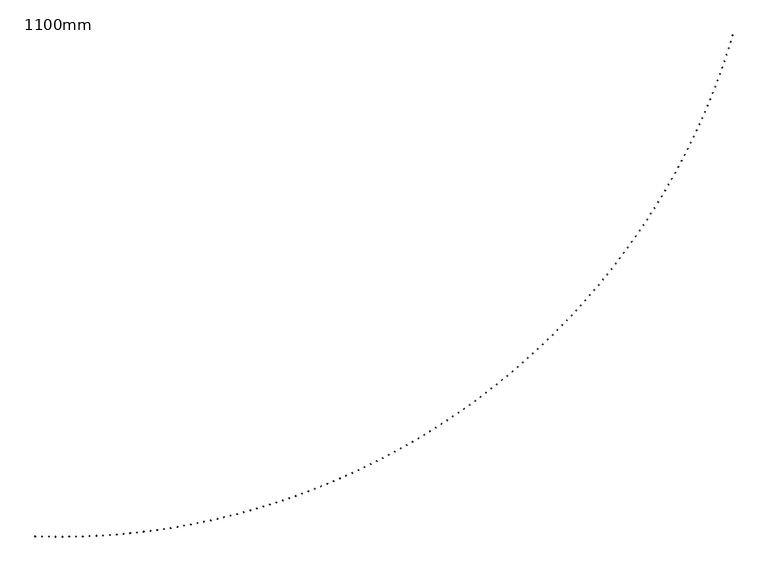
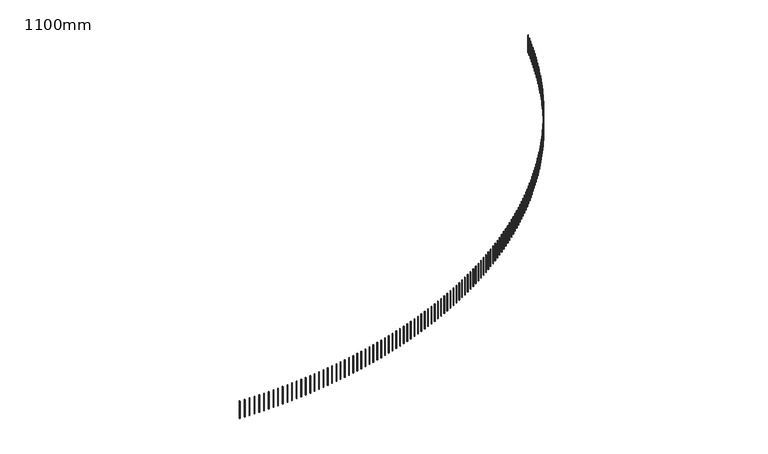
"""IFC4 building model written with IfcOpenShell, lengths in millimetres: railing geometry, 1100mm."""

from ifc_helpers import new_model, si_unit, frame, origin, place, context, project, spatial, polyline, outline, extrude, source, transform, mapped, element, save


def railing_1100mm_44c998ff(model_context):
    return source(origin(), model_context, "Body", "SweptSolid", [
        extrude(outline(polyline([(-10110.9562878, -82539.3710236), (-10111.8247156, -82564.3559358), (-10136.8096277, -82563.487508), (-10135.9411999, -82538.5025959), (-10110.9562878, -82539.3710236)])), frame((0.0, 0.0, 22600.0), z_axis=(0.0, 0.0, 1.0), x_axis=(1.0, 0.0, 0.0)), (0.0, 0.0, 1.0), 1050.0),
        extrude(outline(polyline([(-9836.1976261, -82547.4690723), (-9836.8242033, -82572.4612191), (-9861.8163501, -82571.8346419), (-9861.1897729, -82546.8424951), (-9836.1976261, -82547.4690723)])), frame((0.0, 0.0, 22600.0), z_axis=(0.0, 0.0, 1.0), x_axis=(1.0, 0.0, 0.0)), (0.0, 0.0, 1.0), 1050.0),
        extrude(outline(polyline([(-9561.373458, -82552.9075616), (-9561.7581259, -82577.9046021), (-9586.7551663, -82577.5199342), (-9586.3704985, -82552.5228938), (-9561.373458, -82552.9075616)])), frame((0.0, 0.0, 22600.0), z_axis=(0.0, 0.0, 1.0), x_axis=(1.0, 0.0, 0.0)), (0.0, 0.0, 1.0), 1050.0),
        extrude(outline(polyline([(-9286.5095264, -82555.6859823), (-9286.6522489, -82580.6855749), (-9311.6518415, -82580.5428524), (-9311.509119, -82555.5432598), (-9286.5095264, -82555.6859823)])), frame((0.0, 0.0, 22600.0), z_axis=(0.0, 0.0, 1.0), x_axis=(1.0, 0.0, 0.0)), (0.0, 0.0, 1.0), 1050.0),
        extrude(outline(polyline([(-9011.6315779, -82555.8040741), (-9011.5323416, -82580.8038771), (-9036.5321447, -82580.9031133), (-9036.6313809, -82555.9033103), (-9011.6315779, -82555.8040741)])), frame((0.0, 0.0, 22600.0), z_axis=(0.0, 0.0, 1.0), x_axis=(1.0, 0.0, 0.0)), (0.0, 0.0, 1.0), 1050.0),
        extrude(outline(polyline([(-8736.7653604, -82553.2618258), (-8736.4241747, -82578.2594975), (-8761.4218465, -82578.6006832), (-8761.7630321, -82553.6030114), (-8736.7653604, -82553.2618258)])), frame((0.0, 0.0, 22600.0), z_axis=(0.0, 0.0, 1.0), x_axis=(1.0, 0.0, 0.0)), (0.0, 0.0, 1.0), 1050.0),
        extrude(outline(polyline([(-8461.9366208, -82548.0594757), (-8461.3535177, -82573.0526745), (-8486.3467166, -82573.6357777), (-8486.9298197, -82548.6425788), (-8461.9366208, -82548.0594757)])), frame((0.0, 0.0, 22600.0), z_axis=(0.0, 0.0, 1.0), x_axis=(1.0, 0.0, 0.0)), (0.0, 0.0, 1.0), 1050.0),
        extrude(outline(polyline([(-8187.1711025, -82540.197511), (-8186.3461366, -82565.1838959), (-8211.3325215, -82566.0088618), (-8212.1574874, -82541.0224769), (-8187.1711025, -82540.197511)])), frame((0.0, 0.0, 22600.0), z_axis=(0.0, 0.0, 1.0), x_axis=(1.0, 0.0, 0.0)), (0.0, 0.0, 1.0), 1050.0),
        extrude(outline(polyline([(-7912.4945429, -82529.6766681), (-7911.4277914, -82554.6538986), (-7936.4050218, -82555.7206501), (-7937.4717734, -82530.7434196), (-7912.4945429, -82529.6766681)])), frame((0.0, 0.0, 22600.0), z_axis=(0.0, 0.0, 1.0), x_axis=(1.0, 0.0, 0.0)), (0.0, 0.0, 1.0), 1050.0),
        extrude(outline(polyline([(-7637.9326711, -82516.4979327), (-7636.6242339, -82541.463669), (-7661.5899703, -82542.7721062), (-7662.8984074, -82517.8063698), (-7637.9326711, -82516.4979327)])), frame((0.0, 0.0, 22600.0), z_axis=(0.0, 0.0, 1.0), x_axis=(1.0, 0.0, 0.0)), (0.0, 0.0, 1.0), 1050.0),
        extrude(outline(polyline([(-7363.5112053, -82500.662539), (-7361.9612051, -82525.6144427), (-7386.9131088, -82527.164443), (-7388.4631091, -82502.2125392), (-7363.5112053, -82500.662539)])), frame((0.0, 0.0, 22600.0), z_axis=(0.0, 0.0, 1.0), x_axis=(1.0, 0.0, 0.0)), (0.0, 0.0, 1.0), 1050.0),
        extrude(outline(polyline([(-7089.255851, -82482.1719705), (-7087.4644328, -82507.1077043), (-7112.4001666, -82508.8991224), (-7114.1915848, -82483.9633886), (-7089.255851, -82482.1719705)])), frame((0.0, 0.0, 22600.0), z_axis=(0.0, 0.0, 1.0), x_axis=(1.0, 0.0, 0.0)), (0.0, 0.0, 1.0), 1050.0),
        extrude(outline(polyline([(-6815.1922975, -82461.0279591), (-6813.1596293, -82485.9451873), (-6838.0768575, -82487.9778555), (-6840.1095257, -82463.0606273), (-6815.1922975, -82461.0279591)])), frame((0.0, 0.0, 22600.0), z_axis=(0.0, 0.0, 1.0), x_axis=(1.0, 0.0, 0.0)), (0.0, 0.0, 1.0), 1050.0),
        extrude(outline(polyline([(-6541.3462167, -82437.2324855), (-6539.0724888, -82462.128874), (-6563.9688773, -82464.4026019), (-6566.2426052, -82439.5062134), (-6541.3462167, -82437.2324855)])), frame((0.0, 0.0, 22600.0), z_axis=(0.0, 0.0, 1.0), x_axis=(1.0, 0.0, 0.0)), (0.0, 0.0, 1.0), 1050.0),
        extrude(outline(polyline([(-6267.7432598, -82410.7877785), (-6265.2286852, -82435.6609953), (-6290.101902, -82438.1755699), (-6292.6164767, -82413.3023531), (-6267.7432598, -82410.7877785)])), frame((0.0, 0.0, 22600.0), z_axis=(0.0, 0.0, 1.0), x_axis=(1.0, 0.0, 0.0)), (0.0, 0.0, 1.0), 1050.0),
        extrude(outline(polyline([(-5994.4090554, -82381.6963152), (-5991.6538696, -82406.5440305), (-6016.5015849, -82409.2992162), (-6019.2567706, -82384.451501), (-5994.4090554, -82381.6963152)])), frame((0.0, 0.0, 22600.0), z_axis=(0.0, 0.0, 1.0), x_axis=(1.0, 0.0, 0.0)), (0.0, 0.0, 1.0), 1050.0),
        extrude(outline(polyline([(-5721.3692068, -82349.9608208), (-5718.3736679, -82374.7807069), (-5743.1935541, -82377.7762457), (-5746.1890929, -82352.9563596), (-5721.3692068, -82349.9608208)])), frame((0.0, 0.0, 22600.0), z_axis=(0.0, 0.0, 1.0), x_axis=(1.0, 0.0, 0.0)), (0.0, 0.0, 1.0), 1050.0),
        extrude(outline(polyline([(-5448.6492898, -82315.5842677), (-5445.4136784, -82340.3739998), (-5470.2034106, -82343.6096112), (-5473.4390219, -82318.8198791), (-5448.6492898, -82315.5842677)])), frame((0.0, 0.0, 22600.0), z_axis=(0.0, 0.0, 1.0), x_axis=(1.0, 0.0, 0.0)), (0.0, 0.0, 1.0), 1050.0),
        extrude(outline(polyline([(-5176.2748502, -82278.5698762), (-5172.7994694, -82303.3271322), (-5197.5567255, -82306.802513), (-5201.0321063, -82282.0452569), (-5176.2748502, -82278.5698762)])), frame((0.0, 0.0, 22600.0), z_axis=(0.0, 0.0, 1.0), x_axis=(1.0, 0.0, 0.0)), (0.0, 0.0, 1.0), 1050.0),
        extrude(outline(polyline([(-4904.2714014, -82238.9211133), (-4900.5565768, -82263.6435743), (-4925.2790378, -82267.3583989), (-4928.9938624, -82242.6359379), (-4904.2714014, -82238.9211133)])), frame((0.0, 0.0, 22600.0), z_axis=(0.0, 0.0, 1.0), x_axis=(1.0, 0.0, 0.0)), (0.0, 0.0, 1.0), 1050.0),
        extrude(outline(polyline([(-4632.6644222, -82196.641693), (-4628.7105017, -82221.3270431), (-4653.3958518, -82225.2809637), (-4657.3497724, -82200.5956135), (-4632.6644222, -82196.641693)])), frame((0.0, 0.0, 22600.0), z_axis=(0.0, 0.0, 1.0), x_axis=(1.0, 0.0, 0.0)), (0.0, 0.0, 1.0), 1050.0),
        extrude(outline(polyline([(-4361.4793541, -82151.7355756), (-4357.286708, -82176.3815026), (-4381.9326351, -82180.5741487), (-4386.1252811, -82155.9282217), (-4361.4793541, -82151.7355756)])), frame((0.0, 0.0, 22600.0), z_axis=(0.0, 0.0, 1.0), x_axis=(1.0, 0.0, 0.0)), (0.0, 0.0, 1.0), 1050.0),
        extrude(outline(polyline([(-4090.7415992, -82104.2069675), (-4086.3106203, -82128.8111628), (-4110.9148156, -82133.2421417), (-4115.3457945, -82108.6379464), (-4090.7415992, -82104.2069675)])), frame((0.0, 0.0, 22600.0), z_axis=(0.0, 0.0, 1.0), x_axis=(1.0, 0.0, 0.0)), (0.0, 0.0, 1.0), 1050.0),
        extrude(outline(polyline([(-3820.4765175, -82054.0603207), (-3815.8076209, -82078.6204796), (-3840.3677798, -82083.2893763), (-3845.0366764, -82058.7292174), (-3820.4765175, -82054.0603207)])), frame((0.0, 0.0, 22600.0), z_axis=(0.0, 0.0, 1.0), x_axis=(1.0, 0.0, 0.0)), (0.0, 0.0, 1.0), 1050.0),
        extrude(outline(polyline([(-3550.709425, -82001.3003326), (-3545.803048, -82025.8141545), (-3570.3168699, -82030.7205315), (-3575.2232469, -82006.2067096), (-3550.709425, -82001.3003326)])), frame((0.0, 0.0, 22600.0), z_axis=(0.0, 0.0, 1.0), x_axis=(1.0, 0.0, 0.0)), (0.0, 0.0, 1.0), 1050.0),
        extrude(outline(polyline([(-3281.465591, -81945.931945), (-3276.3221931, -81970.3971337), (-3300.7873818, -81975.5405316), (-3305.9307796, -81951.0753429), (-3281.465591, -81945.931945)])), frame((0.0, 0.0, 22600.0), z_axis=(0.0, 0.0, 1.0), x_axis=(1.0, 0.0, 0.0)), (0.0, 0.0, 1.0), 1050.0),
        extrude(outline(polyline([(-3012.7702354, -81887.9603445), (-3007.3902985, -81912.3746083), (-3031.8045623, -81917.7545453), (-3037.1844993, -81893.3402814), (-3012.7702354, -81887.9603445)])), frame((0.0, 0.0, 22600.0), z_axis=(0.0, 0.0, 1.0), x_axis=(1.0, 0.0, 0.0)), (0.0, 0.0, 1.0), 1050.0),
        extrude(outline(polyline([(-2744.6485274, -81827.3909612), (-2739.0325553, -81851.7520133), (-2763.3936074, -81857.3679854), (-2769.0095794, -81833.0069333), (-2744.6485274, -81827.3909612)])), frame((0.0, 0.0, 22600.0), z_axis=(0.0, 0.0, 1.0), x_axis=(1.0, 0.0, 0.0)), (0.0, 0.0, 1.0), 1050.0),
        extrude(outline(polyline([(-2477.1255818, -81764.2294688), (-2471.2741007, -81788.5350272), (-2495.5796591, -81794.3865083), (-2501.4311402, -81770.0809499), (-2477.1255818, -81764.2294688)])), frame((0.0, 0.0, 22600.0), z_axis=(0.0, 0.0, 1.0), x_axis=(1.0, 0.0, 0.0)), (0.0, 0.0, 1.0), 1050.0),
        extrude(outline(polyline([(-2210.2264577, -81698.4817835), (-2204.1400157, -81722.7295715), (-2228.3878037, -81728.8160136), (-2234.4742457, -81704.5682256), (-2210.2264577, -81698.4817835)])), frame((0.0, 0.0, 22600.0), z_axis=(0.0, 0.0, 1.0), x_axis=(1.0, 0.0, 0.0)), (0.0, 0.0, 1.0), 1050.0),
        extrude(outline(polyline([(-1943.9761558, -81630.1540641), (-1937.6553229, -81654.3418104), (-1961.8430692, -81660.6626433), (-1968.1639021, -81636.474897), (-1943.9761558, -81630.1540641)])), frame((0.0, 0.0, 22600.0), z_axis=(0.0, 0.0, 1.0), x_axis=(1.0, 0.0, 0.0)), (0.0, 0.0, 1.0), 1050.0),
        extrude(outline(polyline([(-1678.3996157, -81559.2527107), (-1671.8449841, -81583.3781497), (-1695.970423, -81589.9327813), (-1702.5250546, -81565.8073424), (-1678.3996157, -81559.2527107)])), frame((0.0, 0.0, 22600.0), z_axis=(0.0, 0.0, 1.0), x_axis=(1.0, 0.0, 0.0)), (0.0, 0.0, 1.0), 1050.0),
        extrude(outline(polyline([(-1413.5217142, -81485.7843648), (-1406.7338978, -81509.8452366), (-1430.7947695, -81516.633053), (-1437.582586, -81492.5721812), (-1413.5217142, -81485.7843648)])), frame((0.0, 0.0, 22600.0), z_axis=(0.0, 0.0, 1.0), x_axis=(1.0, 0.0, 0.0)), (0.0, 0.0, 1.0), 1050.0),
        extrude(outline(polyline([(-1149.3672626, -81409.7559082), (-1142.3468972, -81433.7499589), (-1166.3409479, -81440.7703243), (-1173.3613133, -81416.7762736), (-1149.3672626, -81409.7559082)])), frame((0.0, 0.0, 22600.0), z_axis=(0.0, 0.0, 1.0), x_axis=(1.0, 0.0, 0.0)), (0.0, 0.0, 1.0), 1050.0),
        extrude(outline(polyline([(-885.9610043, -81331.1744625), (-878.7087475, -81355.0994447), (-902.6337297, -81362.3517014), (-909.8859864, -81338.4267192), (-885.9610043, -81331.1744625)])), frame((0.0, 0.0, 22600.0), z_axis=(0.0, 0.0, 1.0), x_axis=(1.0, 0.0, 0.0)), (0.0, 0.0, 1.0), 1050.0),
        extrude(outline(polyline([(-623.3276126, -81250.0473885), (-615.8441439, -81273.901061), (-639.6978165, -81281.3845298), (-647.1812852, -81257.5308572), (-623.3276126, -81250.0473885)])), frame((0.0, 0.0, 22600.0), z_axis=(0.0, 0.0, 1.0), x_axis=(1.0, 0.0, 0.0)), (0.0, 0.0, 1.0), 1050.0),
        extrude(outline(polyline([(-361.4916887, -81166.3822853), (-353.7777089, -81190.1624139), (-377.5578375, -81197.8763937), (-385.2718173, -81174.0962651), (-361.4916887, -81166.3822853)])), frame((0.0, 0.0, 22600.0), z_axis=(0.0, 0.0, 1.0), x_axis=(1.0, 0.0, 0.0)), (0.0, 0.0, 1.0), 1050.0),
        extrude(outline(polyline([(-100.4777588, -81080.18699), (-92.5339905, -81103.8913471), (-116.2383476, -81111.8351154), (-124.1821159, -81088.1307583), (-100.4777588, -81080.18699)])), frame((0.0, 0.0, 22600.0), z_axis=(0.0, 0.0, 1.0), x_axis=(1.0, 0.0, 0.0)), (0.0, 0.0, 1.0), 1050.0),
        extrude(outline(polyline([(159.6897277, -80991.4695764), (167.8625404, -81015.0959416), (144.2361752, -81023.2687543), (136.0633625, -80999.6423891), (159.6897277, -80991.4695764)])), frame((0.0, 0.0, 22600.0), z_axis=(0.0, 0.0, 1.0), x_axis=(1.0, 0.0, 0.0)), (0.0, 0.0, 1.0), 1050.0),
        extrude(outline(polyline([(418.986401, -80900.2383549), (427.3874925, -80923.7845151), (403.8413323, -80932.1856066), (395.4402408, -80908.6394464), (418.986401, -80900.2383549)])), frame((0.0, 0.0, 22600.0), z_axis=(0.0, 0.0, 1.0), x_axis=(1.0, 0.0, 0.0)), (0.0, 0.0, 1.0), 1050.0),
        extrude(outline(polyline([(677.3879724, -80806.501871), (686.0165559, -80829.9656207), (662.5528062, -80838.5942041), (653.9242228, -80815.1304544), (677.3879724, -80806.501871)])), frame((0.0, 0.0, 22600.0), z_axis=(0.0, 0.0, 1.0), x_axis=(1.0, 0.0, 0.0)), (0.0, 0.0, 1.0), 1050.0),
        extrude(outline(polyline([(934.8702375, -80710.2689051), (943.7255046, -80733.6480464), (920.3463633, -80742.5033135), (911.4910963, -80719.1241722), (934.8702375, -80710.2689051)])), frame((0.0, 0.0, 22600.0), z_axis=(0.0, 0.0, 1.0), x_axis=(1.0, 0.0, 0.0)), (0.0, 0.0, 1.0), 1050.0),
        extrude(outline(polyline([(1191.4090777, -80611.5484715), (1200.4901989, -80634.8408144), (1177.197856, -80643.9219356), (1168.1167348, -80620.6295927), (1191.4090777, -80611.5484715)])), frame((0.0, 0.0, 22600.0), z_axis=(0.0, 0.0, 1.0), x_axis=(1.0, 0.0, 0.0)), (0.0, 0.0, 1.0), 1050.0),
        extrude(outline(polyline([(1446.9804628, -80510.3498172), (1456.2865876, -80533.5531799), (1433.0832249, -80542.8593047), (1423.7771001, -80519.655942), (1446.9804628, -80510.3498172)])), frame((0.0, 0.0, 22600.0), z_axis=(0.0, 0.0, 1.0), x_axis=(1.0, 0.0, 0.0)), (0.0, 0.0, 1.0), 1050.0),
        extrude(outline(polyline([(1701.5604535, -80406.6824217), (1711.0907101, -80429.7946308), (1687.978501, -80439.3248874), (1678.4482444, -80416.2126783), (1701.5604535, -80406.6824217)])), frame((0.0, 0.0, 22600.0), z_axis=(0.0, 0.0, 1.0), x_axis=(1.0, 0.0, 0.0)), (0.0, 0.0, 1.0), 1050.0),
        extrude(outline(polyline([(1955.125203, -80300.5559955), (1964.8786987, -80323.574886), (1941.8598082, -80333.3283817), (1932.1063125, -80310.3094912), (1955.125203, -80300.5559955)])), frame((0.0, 0.0, 22600.0), z_axis=(0.0, 0.0, 1.0), x_axis=(1.0, 0.0, 0.0)), (0.0, 0.0, 1.0), 1050.0),
        extrude(outline(polyline([(2207.6509598, -80191.9804794), (2217.6267811, -80214.9038952), (2194.7033653, -80224.8797165), (2184.7275441, -80201.9563007), (2207.6509598, -80191.9804794)])), frame((0.0, 0.0, 22600.0), z_axis=(0.0, 0.0, 1.0), x_axis=(1.0, 0.0, 0.0)), (0.0, 0.0, 1.0), 1050.0),
        extrude(outline(polyline([(2459.1140697, -80080.966044), (2469.3112821, -80103.7918377), (2446.4854883, -80113.9890501), (2436.288276, -80091.1632563), (2459.1140697, -80080.966044)])), frame((0.0, 0.0, 22600.0), z_axis=(0.0, 0.0, 1.0), x_axis=(1.0, 0.0, 0.0)), (0.0, 0.0, 1.0), 1050.0),
        extrude(outline(polyline([(2709.4909781, -79967.5230878), (2719.9086263, -79990.2491214), (2697.1825927, -80000.6667697), (2686.7649444, -79977.940736), (2709.4909781, -79967.5230878)])), frame((0.0, 0.0, 22600.0), z_axis=(0.0, 0.0, 1.0), x_axis=(1.0, 0.0, 0.0)), (0.0, 0.0, 1.0), 1050.0),
        extrude(outline(polyline([(2958.7582319, -79851.6622372), (2969.3953402, -79874.286382), (2946.7711955, -79884.9234903), (2936.1340872, -79862.2993455), (2958.7582319, -79851.6622372)])), frame((0.0, 0.0, 22600.0), z_axis=(0.0, 0.0, 1.0), x_axis=(1.0, 0.0, 0.0)), (0.0, 0.0, 1.0), 1050.0),
        extrude(outline(polyline([(3206.8924823, -79733.394345), (3217.7480543, -79755.9144816), (3195.2279176, -79766.7700536), (3184.3723456, -79744.249917), (3206.8924823, -79733.394345)])), frame((0.0, 0.0, 22600.0), z_axis=(0.0, 0.0, 1.0), x_axis=(1.0, 0.0, 0.0)), (0.0, 0.0, 1.0), 1050.0),
        extrude(outline(polyline([(3453.8704863, -79612.7304892), (3464.9435051, -79635.1445084), (3442.529486, -79646.2175272), (3431.4564671, -79623.8035081), (3453.8704863, -79612.7304892)])), frame((0.0, 0.0, 22600.0), z_axis=(0.0, 0.0, 1.0), x_axis=(1.0, 0.0, 0.0)), (0.0, 0.0, 1.0), 1050.0),
        extrude(outline(polyline([(3699.6691094, -79489.6819727), (3710.9585378, -79511.9877747), (3688.6527358, -79523.2772032), (3677.3633073, -79500.9714011), (3699.6691094, -79489.6819727)])), frame((0.0, 0.0, 22600.0), z_axis=(0.0, 0.0, 1.0), x_axis=(1.0, 0.0, 0.0)), (0.0, 0.0, 1.0), 1050.0),
        extrude(outline(polyline([(3944.2653275, -79364.2603213), (3955.7701081, -79386.4558169), (3933.5746125, -79397.9605975), (3922.0698319, -79375.7651019), (3944.2653275, -79364.2603213)])), frame((0.0, 0.0, 22600.0), z_axis=(0.0, 0.0, 1.0), x_axis=(1.0, 0.0, 0.0)), (0.0, 0.0, 1.0), 1050.0),
        extrude(outline(polyline([(4187.6362291, -79236.4772835), (4199.3552842, -79258.5603935), (4177.2721742, -79270.2794486), (4165.5531191, -79248.1963386), (4187.6362291, -79236.4772835)])), frame((0.0, 0.0, 22600.0), z_axis=(0.0, 0.0, 1.0), x_axis=(1.0, 0.0, 0.0)), (0.0, 0.0, 1.0), 1050.0),
        extrude(outline(polyline([(4429.7590177, -79106.3448286), (4441.6912495, -79128.3134846), (4419.7225936, -79140.2457164), (4407.7903618, -79118.2770605), (4429.7590177, -79106.3448286)])), frame((0.0, 0.0, 22600.0), z_axis=(0.0, 0.0, 1.0), x_axis=(1.0, 0.0, 0.0)), (0.0, 0.0, 1.0), 1050.0),
        extrude(outline(polyline([(4670.6110134, -78973.8751464), (4682.7553042, -78995.7272904), (4660.9031602, -79007.8715813), (4648.7588693, -78986.0194373), (4670.6110134, -78973.8751464)])), frame((0.0, 0.0, 22600.0), z_axis=(0.0, 0.0, 1.0), x_axis=(1.0, 0.0, 0.0)), (0.0, 0.0, 1.0), 1050.0),
        extrude(outline(polyline([(4910.1696554, -78839.0806452), (4922.5248678, -78860.8142304), (4900.7912826, -78873.1694428), (4888.4360702, -78851.4358576), (4910.1696554, -78839.0806452)])), frame((0.0, 0.0, 22600.0), z_axis=(0.0, 0.0, 1.0), x_axis=(1.0, 0.0, 0.0)), (0.0, 0.0, 1.0), 1050.0),
        extrude(outline(polyline([(5148.4125043, -78701.9739514), (5160.9774809, -78723.586942), (5139.3644902, -78736.1519186), (5126.7995137, -78714.5389279), (5148.4125043, -78701.9739514)])), frame((0.0, 0.0, 22600.0), z_axis=(0.0, 0.0, 1.0), x_axis=(1.0, 0.0, 0.0)), (0.0, 0.0, 1.0), 1050.0),
        extrude(outline(polyline([(5385.3172437, -78562.5679077), (5398.0908074, -78584.0582793), (5376.6004359, -78596.831843), (5363.8268721, -78575.3414715), (5385.3172437, -78562.5679077)])), frame((0.0, 0.0, 22600.0), z_axis=(0.0, 0.0, 1.0), x_axis=(1.0, 0.0, 0.0)), (0.0, 0.0, 1.0), 1050.0),
        extrude(outline(polyline([(5620.8616826, -78420.8755725), (5633.842637, -78442.241312), (5612.4768976, -78455.2222664), (5599.4959431, -78433.856527), (5620.8616826, -78420.8755725)])), frame((0.0, 0.0, 22600.0), z_axis=(0.0, 0.0, 1.0), x_axis=(1.0, 0.0, 0.0)), (0.0, 0.0, 1.0), 1050.0),
        extrude(outline(polyline([(5855.0237574, -78276.9102182), (5868.2108866, -78298.1493241), (5846.9717806, -78311.3364534), (5833.7846514, -78290.0973474), (5855.0237574, -78276.9102182)])), frame((0.0, 0.0, 22600.0), z_axis=(0.0, 0.0, 1.0), x_axis=(1.0, 0.0, 0.0)), (0.0, 0.0, 1.0), 1050.0),
        extrude(outline(polyline([(6087.781534, -78130.6853299), (6101.1736028, -78151.795813), (6080.0631197, -78165.1878817), (6066.671051, -78144.0773987), (6087.781534, -78130.6853299)])), frame((0.0, 0.0, 22600.0), z_axis=(0.0, 0.0, 1.0), x_axis=(1.0, 0.0, 0.0)), (0.0, 0.0, 1.0), 1050.0),
        extrude(outline(polyline([(6319.11321, -77982.2146048), (6332.7089638, -78003.1944875), (6311.7290811, -78016.7902413), (6298.1333273, -77995.8103586), (6319.11321, -77982.2146048)])), frame((0.0, 0.0, 22600.0), z_axis=(0.0, 0.0, 1.0), x_axis=(1.0, 0.0, 0.0)), (0.0, 0.0, 1.0), 1050.0),
        extrude(outline(polyline([(6548.9971164, -77831.5119501), (6562.7952817, -77852.3592672), (6541.9479646, -77866.1574326), (6528.1497992, -77845.3101155), (6548.9971164, -77831.5119501)])), frame((0.0, 0.0, 22600.0), z_axis=(0.0, 0.0, 1.0), x_axis=(1.0, 0.0, 0.0)), (0.0, 0.0, 1.0), 1050.0),
        extrude(outline(polyline([(6777.4117197, -77678.5914822), (6791.4110042, -77699.304281), (6770.6982054, -77713.3035655), (6756.6989209, -77692.5907666), (6777.4117197, -77678.5914822)])), frame((0.0, 0.0, 22600.0), z_axis=(0.0, 0.0, 1.0), x_axis=(1.0, 0.0, 0.0)), (0.0, 0.0, 1.0), 1050.0),
        extrude(outline(polyline([(7004.3356244, -77523.4675252), (7018.5347166, -77544.0438655), (6997.9583763, -77558.2429578), (6983.7592841, -77537.6666174), (7004.3356244, -77523.4675252)])), frame((0.0, 0.0, 22600.0), z_axis=(0.0, 0.0, 1.0), x_axis=(1.0, 0.0, 0.0)), (0.0, 0.0, 1.0), 1050.0),
        extrude(outline(polyline([(7229.7475744, -77366.1546098), (7244.1451443, -77386.5925642), (7223.7071899, -77400.9901341), (7209.30962, -77380.5521797), (7229.7475744, -77366.1546098)])), frame((0.0, 0.0, 22600.0), z_axis=(0.0, 0.0, 1.0), x_axis=(1.0, 0.0, 0.0)), (0.0, 0.0, 1.0), 1050.0),
        extrude(outline(polyline([(7453.6264551, -77206.6674714), (7468.2211541, -77226.9651255), (7447.9235, -77241.5598245), (7433.328801, -77221.2621704), (7453.6264551, -77206.6674714)])), frame((0.0, 0.0, 22600.0), z_axis=(0.0, 0.0, 1.0), x_axis=(1.0, 0.0, 0.0)), (0.0, 0.0, 1.0), 1050.0),
        extrude(outline(polyline([(7675.9512957, -77045.0210493), (7690.7417567, -77065.1765018), (7670.5863043, -77079.9669628), (7655.7958433, -77059.8115103), (7675.9512957, -77045.0210493)])), frame((0.0, 0.0, 22600.0), z_axis=(0.0, 0.0, 1.0), x_axis=(1.0, 0.0, 0.0)), (0.0, 0.0, 1.0), 1050.0),
        extrude(outline(polyline([(7896.701271, -76881.2304851), (7911.6861086, -76901.2418479), (7891.6747458, -76916.2266855), (7876.6899082, -76896.2153227), (7896.701271, -76881.2304851)])), frame((0.0, 0.0, 22600.0), z_axis=(0.0, 0.0, 1.0), x_axis=(1.0, 0.0, 0.0)), (0.0, 0.0, 1.0), 1050.0),
        extrude(outline(polyline([(8115.8557032, -76715.311121), (8131.0335137, -76735.1765197), (8111.168115, -76750.3543302), (8095.9903045, -76730.4889315), (8115.8557032, -76715.311121)])), frame((0.0, 0.0, 22600.0), z_axis=(0.0, 0.0, 1.0), x_axis=(1.0, 0.0, 0.0)), (0.0, 0.0, 1.0), 1050.0),
        extrude(outline(polyline([(8333.394064, -76547.2784988), (8348.7634258, -76566.9960726), (8329.0458519, -76582.3654344), (8313.6764901, -76562.6478605), (8333.394064, -76547.2784988)])), frame((0.0, 0.0, 22600.0), z_axis=(0.0, 0.0, 1.0), x_axis=(1.0, 0.0, 0.0)), (0.0, 0.0, 1.0), 1050.0),
        extrude(outline(polyline([(8549.2959765, -76377.1483582), (8564.8554498, -76396.7162602), (8545.2875477, -76412.2757335), (8529.7280744, -76392.7078315), (8549.2959765, -76377.1483582)])), frame((0.0, 0.0, 22600.0), z_axis=(0.0, 0.0, 1.0), x_axis=(1.0, 0.0, 0.0)), (0.0, 0.0, 1.0), 1050.0),
        extrude(outline(polyline([(8763.541217, -76204.9366354), (8779.2893444, -76224.3530327), (8759.8729471, -76240.1011601), (8744.1248197, -76220.6847628), (8763.541217, -76204.9366354)])), frame((0.0, 0.0, 22600.0), z_axis=(0.0, 0.0, 1.0), x_axis=(1.0, 0.0, 0.0)), (0.0, 0.0, 1.0), 1050.0),
        extrude(outline(polyline([(8976.109717, -76030.6594615), (8992.0450234, -76049.9225353), (8972.7819496, -76065.8578417), (8956.8466432, -76046.5947679), (8976.109717, -76030.6594615)])), frame((0.0, 0.0, 22600.0), z_axis=(0.0, 0.0, 1.0), x_axis=(1.0, 0.0, 0.0)), (0.0, 0.0, 1.0), 1050.0),
        extrude(outline(polyline([(9186.9815652, -75854.3331613), (9203.1025579, -75873.4411071), (9183.994612, -75889.5620998), (9167.8736193, -75870.4541539), (9186.9815652, -75854.3331613)])), frame((0.0, 0.0, 22600.0), z_axis=(0.0, 0.0, 1.0), x_axis=(1.0, 0.0, 0.0)), (0.0, 0.0, 1.0), 1050.0),
        extrude(outline(polyline([(9396.1370091, -75675.9742511), (9412.442178, -75694.9252792), (9393.4911499, -75711.2304482), (9377.185981, -75692.27942), (9396.1370091, -75675.9742511)])), frame((0.0, 0.0, 22600.0), z_axis=(0.0, 0.0, 1.0), x_axis=(1.0, 0.0, 0.0)), (0.0, 0.0, 1.0), 1050.0),
        extrude(outline(polyline([(9603.556457, -75495.5994381), (9620.0442748, -75514.3917733), (9601.2519396, -75530.8795912), (9584.7641218, -75512.0872559), (9603.556457, -75495.5994381)])), frame((0.0, 0.0, 22600.0), z_axis=(0.0, 0.0, 1.0), x_axis=(1.0, 0.0, 0.0)), (0.0, 0.0, 1.0), 1050.0),
        extrude(outline(polyline([(9809.2204798, -75313.225618), (9825.8894022, -75331.8575), (9807.2575201, -75348.5264224), (9790.5885978, -75329.8945403), (9809.2204798, -75313.225618)])), frame((0.0, 0.0, 22600.0), z_axis=(0.0, 0.0, 1.0), x_axis=(1.0, 0.0, 0.0)), (0.0, 0.0, 1.0), 1050.0),
        extrude(outline(polyline([(10013.1098129, -75128.8698739), (10029.9582783, -75147.3395575), (10011.4885947, -75164.1880229), (9994.6401293, -75145.7183393), (10013.1098129, -75128.8698739)])), frame((0.0, 0.0, 22600.0), z_axis=(0.0, 0.0, 1.0), x_axis=(1.0, 0.0, 0.0)), (0.0, 0.0, 1.0), 1050.0),
        extrude(outline(polyline([(10215.2053578, -74942.5494744), (10232.2317882, -74960.8552295), (10213.9260331, -74977.8816598), (10196.8996027, -74959.5759048), (10215.2053578, -74942.5494744)])), frame((0.0, 0.0, 22600.0), z_axis=(0.0, 0.0, 1.0), x_axis=(1.0, 0.0, 0.0)), (0.0, 0.0, 1.0), 1050.0),
        extrude(outline(polyline([(10415.4881842, -74754.2818723), (10432.6909846, -74772.4219842), (10414.5508727, -74789.6247846), (10397.3480723, -74771.4846727), (10415.4881842, -74754.2818723)])), frame((0.0, 0.0, 22600.0), z_axis=(0.0, 0.0, 1.0), x_axis=(1.0, 0.0, 0.0)), (0.0, 0.0, 1.0), 1050.0),
        extrude(outline(polyline([(10613.9395314, -74564.0847027), (10631.3170904, -74582.0574722), (10613.344321, -74599.4350312), (10595.966762, -74581.4622617), (10613.9395314, -74564.0847027)])), frame((0.0, 0.0, 22600.0), z_axis=(0.0, 0.0, 1.0), x_axis=(1.0, 0.0, 0.0)), (0.0, 0.0, 1.0), 1050.0),
        extrude(outline(polyline([(10810.5408105, -74371.9757815), (10828.0915004, -74389.779525), (10810.2877568, -74407.3302149), (10792.7370669, -74389.5264714), (10810.5408105, -74371.9757815)])), frame((0.0, 0.0, 22600.0), z_axis=(0.0, 0.0, 1.0), x_axis=(1.0, 0.0, 0.0)), (0.0, 0.0, 1.0), 1050.0),
        extrude(outline(polyline([(11005.2736056, -74177.9731036), (11022.9957824, -74195.6061535), (11005.3627325, -74213.3283303), (10987.6405557, -74195.6952804), (11005.2736056, -74177.9731036)])), frame((0.0, 0.0, 22600.0), z_axis=(0.0, 0.0, 1.0), x_axis=(1.0, 0.0, 0.0)), (0.0, 0.0, 1.0), 1050.0),
        extrude(outline(polyline([(11198.1196761, -73982.0948413), (11216.0116798, -73999.5555459), (11198.5509751, -74017.4475496), (11180.6589715, -73999.986845), (11198.1196761, -73982.0948413)])), frame((0.0, 0.0, 22600.0), z_axis=(0.0, 0.0, 1.0), x_axis=(1.0, 0.0, 0.0)), (0.0, 0.0, 1.0), 1050.0),
        extrude(outline(polyline([(11389.060958, -73784.3593427), (11407.1211125, -73801.6460664), (11389.8343888, -73819.706221), (11371.7742342, -73802.4194972), (11389.060958, -73784.3593427)])), frame((0.0, 0.0, 22600.0), z_axis=(0.0, 0.0, 1.0), x_axis=(1.0, 0.0, 0.0)), (0.0, 0.0, 1.0), 1050.0),
        extrude(outline(polyline([(11578.0795657, -73584.7851297), (11596.3061794, -73601.8962533), (11579.1950558, -73620.1228671), (11560.968442, -73603.0117434), (11578.0795657, -73584.7851297)])), frame((0.0, 0.0, 22600.0), z_axis=(0.0, 0.0, 1.0), x_axis=(1.0, 0.0, 0.0)), (0.0, 0.0, 1.0), 1050.0),
        extrude(outline(polyline([(11765.1577937, -73383.3908966), (11783.5491593, -73400.3248173), (11766.6152386, -73418.7161829), (11748.223873, -73401.7822622), (11765.1577937, -73383.3908966)])), frame((0.0, 0.0, 22600.0), z_axis=(0.0, 0.0, 1.0), x_axis=(1.0, 0.0, 0.0)), (0.0, 0.0, 1.0), 1050.0),
        extrude(outline(polyline([(11950.2781183, -73180.195508), (11968.8325131, -73196.9506396), (11952.0773816, -73215.5050344), (11933.5229868, -73198.7499028), (11950.2781183, -73180.195508)])), frame((0.0, 0.0, 22600.0), z_axis=(0.0, 0.0, 1.0), x_axis=(1.0, 0.0, 0.0)), (0.0, 0.0, 1.0), 1050.0),
        extrude(outline(polyline([(12133.4231993, -72975.2179974), (12152.1388853, -72991.7927703), (12135.5641123, -73010.5084563), (12116.8484263, -72993.9336833), (12133.4231993, -72975.2179974)])), frame((0.0, 0.0, 22600.0), z_axis=(0.0, 0.0, 1.0), x_axis=(1.0, 0.0, 0.0)), (0.0, 0.0, 1.0), 1050.0),
        extrude(outline(polyline([(12314.5758813, -72768.4775651), (12333.4511053, -72784.8704269), (12317.0582435, -72803.7456509), (12298.1830195, -72787.3527891), (12314.5758813, -72768.4775651)])), frame((0.0, 0.0, 22600.0), z_axis=(0.0, 0.0, 1.0), x_axis=(1.0, 0.0, 0.0)), (0.0, 0.0, 1.0), 1050.0),
        extrude(outline(polyline([(12493.7191956, -72559.9935766), (12512.7521897, -72576.2029917), (12496.5427745, -72595.2359857), (12477.5097805, -72579.0265706), (12493.7191956, -72559.9935766)])), frame((0.0, 0.0, 22600.0), z_axis=(0.0, 0.0, 1.0), x_axis=(1.0, 0.0, 0.0)), (0.0, 0.0, 1.0), 1050.0),
        extrude(outline(polyline([(12670.8363619, -72349.7855607), (12690.0253431, -72365.8100107), (12674.000893, -72384.9989919), (12654.8119118, -72368.9745419), (12670.8363619, -72349.7855607)])), frame((0.0, 0.0, 22600.0), z_axis=(0.0, 0.0, 1.0), x_axis=(1.0, 0.0, 0.0)), (0.0, 0.0, 1.0), 1050.0),
        extrude(outline(polyline([(12845.9107894, -72137.8732076), (12865.2539604, -72153.7111917), (12849.4159763, -72173.0543626), (12830.0728054, -72157.2163786), (12845.9107894, -72137.8732076)])), frame((0.0, 0.0, 22600.0), z_axis=(0.0, 0.0, 1.0), x_axis=(1.0, 0.0, 0.0)), (0.0, 0.0, 1.0), 1050.0),
        extrude(outline(polyline([(13018.9260789, -71924.2763674), (13038.4216277, -71939.9264018), (13022.7715933, -71959.4219506), (13003.2760445, -71943.7719162), (13018.9260789, -71924.2763674)])), frame((0.0, 0.0, 22600.0), z_axis=(0.0, 0.0, 1.0), x_axis=(1.0, 0.0, 0.0)), (0.0, 0.0, 1.0), 1050.0),
        extrude(outline(polyline([(13189.8660239, -71709.0150478), (13209.5121244, -71724.4756666), (13194.0515055, -71744.1217671), (13174.405405, -71728.6611483), (13189.8660239, -71709.0150478)])), frame((0.0, 0.0, 22600.0), z_axis=(0.0, 0.0, 1.0), x_axis=(1.0, 0.0, 0.0)), (0.0, 0.0, 1.0), 1050.0),
        extrude(outline(polyline([(13358.7146124, -71492.1094123), (13378.5094243, -71507.3791674), (13363.2396692, -71527.1739793), (13343.4448573, -71511.9042242), (13358.7146124, -71492.1094123)])), frame((0.0, 0.0, 22600.0), z_axis=(0.0, 0.0, 1.0), x_axis=(1.0, 0.0, 0.0)), (0.0, 0.0, 1.0), 1050.0),
        extrude(outline(polyline([(13525.4560282, -71273.5797787), (13545.3976974, -71288.6572397), (13530.3202364, -71308.5989088), (13510.3785672, -71293.5214478), (13525.4560282, -71273.5797787)])), frame((0.0, 0.0, 22600.0), z_axis=(0.0, 0.0, 1.0), x_axis=(1.0, 0.0, 0.0)), (0.0, 0.0, 1.0), 1050.0),
        extrude(outline(polyline([(13690.0746527, -71053.4466166), (13710.1613111, -71068.3303713), (13695.2775565, -71088.4170297), (13675.190898, -71073.5332751), (13690.0746527, -71053.4466166)])), frame((0.0, 0.0, 22600.0), z_axis=(0.0, 0.0, 1.0), x_axis=(1.0, 0.0, 0.0)), (0.0, 0.0, 1.0), 1050.0),
        extrude(outline(polyline([(13852.5550658, -70831.7305462), (13872.7848321, -70846.4192003), (13858.096178, -70866.6489665), (13837.8664118, -70851.9603125), (13852.5550658, -70831.7305462)])), frame((0.0, 0.0, 22600.0), z_axis=(0.0, 0.0, 1.0), x_axis=(1.0, 0.0, 0.0)), (0.0, 0.0, 1.0), 1050.0),
        extrude(outline(polyline([(14012.882048, -70608.4523357), (14033.2530271, -70622.9445133), (14018.7608495, -70643.3154923), (13998.3898705, -70628.8233148), (14012.882048, -70608.4523357)])), frame((0.0, 0.0, 22600.0), z_axis=(0.0, 0.0, 1.0), x_axis=(1.0, 0.0, 0.0)), (0.0, 0.0, 1.0), 1050.0),
        extrude(outline(polyline([(14171.0405814, -70383.6328996), (14191.5508652, -70397.9272432), (14177.2565216, -70418.437527), (14156.7462378, -70404.1431833), (14171.0405814, -70383.6328996)])), frame((0.0, 0.0, 22600.0), z_axis=(0.0, 0.0, 1.0), x_axis=(1.0, 0.0, 0.0)), (0.0, 0.0, 1.0), 1050.0),
        extrude(outline(polyline([(14327.0158512, -70157.2932968), (14347.6635184, -70171.3884676), (14333.5683477, -70192.0361348), (14312.9206805, -70177.9409641), (14327.0158512, -70157.2932968)])), frame((0.0, 0.0, 22600.0), z_axis=(0.0, 0.0, 1.0), x_axis=(1.0, 0.0, 0.0)), (0.0, 0.0, 1.0), 1050.0),
        extrude(outline(polyline([(14480.7932471, -69929.4547289), (14501.5763637, -69943.3494064), (14487.6816862, -69964.132523), (14466.8985696, -69950.2378455), (14480.7932471, -69929.4547289)])), frame((0.0, 0.0, 22600.0), z_axis=(0.0, 0.0, 1.0), x_axis=(1.0, 0.0, 0.0)), (0.0, 0.0, 1.0), 1050.0),
        extrude(outline(polyline([(14632.3583646, -69700.1385374), (14653.2749839, -69713.8314202), (14639.5821011, -69734.7480394), (14618.6654818, -69721.0551566), (14632.3583646, -69700.1385374)])), frame((0.0, 0.0, 22600.0), z_axis=(0.0, 0.0, 1.0), x_axis=(1.0, 0.0, 0.0)), (0.0, 0.0, 1.0), 1050.0),
        extrude(outline(polyline([(14781.6970067, -69469.3662026), (14802.7451693, -69482.856008), (14789.2553639, -69503.9041706), (14768.2072013, -69490.4143652), (14781.6970067, -69469.3662026)])), frame((0.0, 0.0, 22600.0), z_axis=(0.0, 0.0, 1.0), x_axis=(1.0, 0.0, 0.0)), (0.0, 0.0, 1.0), 1050.0),
        extrude(outline(polyline([(14928.7951847, -69237.1593409), (14949.972919, -69250.4448054), (14936.6874545, -69271.6225398), (14915.5097201, -69258.3370753), (14928.7951847, -69237.1593409)])), frame((0.0, 0.0, 22600.0), z_axis=(0.0, 0.0, 1.0), x_axis=(1.0, 0.0, 0.0)), (0.0, 0.0, 1.0), 1050.0),
        extrude(outline(polyline([(15073.6391197, -69003.5397035), (15094.9444421, -69016.6195826), (15081.864563, -69037.924905), (15060.5592406, -69024.8450259), (15073.6391197, -69003.5397035)])), frame((0.0, 0.0, 22600.0), z_axis=(0.0, 0.0, 1.0), x_axis=(1.0, 0.0, 0.0)), (0.0, 0.0, 1.0), 1050.0),
        extrude(outline(polyline([(15216.2152443, -68768.5291734), (15237.6461591, -68781.4022419), (15224.7730906, -68802.8331567), (15203.3421758, -68789.9600882), (15216.2152443, -68768.5291734)])), frame((0.0, 0.0, 22600.0), z_axis=(0.0, 0.0, 1.0), x_axis=(1.0, 0.0, 0.0)), (0.0, 0.0, 1.0), 1050.0),
        extrude(outline(polyline([(15356.5102032, -68532.1497643), (15378.0647029, -68544.8148164), (15365.3996508, -68566.3693161), (15343.8451512, -68553.704264), (15356.5102032, -68532.1497643)])), frame((0.0, 0.0, 22600.0), z_axis=(0.0, 0.0, 1.0), x_axis=(1.0, 0.0, 0.0)), (0.0, 0.0, 1.0), 1050.0),
        extrude(outline(polyline([(15494.510855, -68294.423618), (15516.1869206, -68306.8794673), (15503.7310713, -68328.5555329), (15482.0550057, -68316.0996836), (15494.510855, -68294.423618)])), frame((0.0, 0.0, 22600.0), z_axis=(0.0, 0.0, 1.0), x_axis=(1.0, 0.0, 0.0)), (0.0, 0.0, 1.0), 1050.0),
        extrude(outline(polyline([(15630.204273, -68055.3730024), (15651.9998741, -68067.6184821), (15639.7543943, -68089.4140832), (15617.9587932, -68077.1686034), (15630.204273, -68055.3730024)])), frame((0.0, 0.0, 22600.0), z_axis=(0.0, 0.0, 1.0), x_axis=(1.0, 0.0, 0.0)), (0.0, 0.0, 1.0), 1050.0),
        extrude(outline(polyline([(15763.5777468, -67815.0203094), (15785.4908418, -67827.0542726), (15773.4568785, -67848.9673675), (15751.5437836, -67836.9334043), (15763.5777468, -67815.0203094)])), frame((0.0, 0.0, 22600.0), z_axis=(0.0, 0.0, 1.0), x_axis=(1.0, 0.0, 0.0)), (0.0, 0.0, 1.0), 1050.0),
        extrude(outline(polyline([(15894.6187833, -67573.388053), (15916.6473194, -67585.2093725), (15904.826, -67607.2379087), (15882.7974638, -67595.4165892), (15894.6187833, -67573.388053)])), frame((0.0, 0.0, 22600.0), z_axis=(0.0, 0.0, 1.0), x_axis=(1.0, 0.0, 0.0)), (0.0, 0.0, 1.0), 1050.0),
        extrude(outline(polyline([(16023.3151076, -67330.4988671), (16045.4570216, -67342.1064355), (16033.8494533, -67364.2483495), (16011.7075393, -67352.6407811), (16023.3151076, -67330.4988671)])), frame((0.0, 0.0, 22600.0), z_axis=(0.0, 0.0, 1.0), x_axis=(1.0, 0.0, 0.0)), (0.0, 0.0, 1.0), 1050.0),
        extrude(outline(polyline([(16149.6546649, -67086.3755032), (16171.9078827, -67097.7682332), (16160.5151527, -67120.021451), (16138.2619349, -67108.628721), (16149.6546649, -67086.3755032)])), frame((0.0, 0.0, 22600.0), z_axis=(0.0, 0.0, 1.0), x_axis=(1.0, 0.0, 0.0)), (0.0, 0.0, 1.0), 1050.0),
        extrude(outline(polyline([(16273.6256207, -66841.0408284), (16295.9880579, -66852.2176529), (16284.8112334, -66874.58009), (16262.4487963, -66863.4032656), (16273.6256207, -66841.0408284)])), frame((0.0, 0.0, 22600.0), z_axis=(0.0, 0.0, 1.0), x_axis=(1.0, 0.0, 0.0)), (0.0, 0.0, 1.0), 1050.0),
        extrude(outline(polyline([(16395.2163628, -66594.5178234), (16417.6859245, -66605.4776954), (16406.7260526, -66627.9472572), (16384.2564908, -66616.9873852), (16395.2163628, -66594.5178234)])), frame((0.0, 0.0, 22600.0), z_axis=(0.0, 0.0, 1.0), x_axis=(1.0, 0.0, 0.0)), (0.0, 0.0, 1.0), 1050.0),
        extrude(outline(polyline([(16514.4155015, -66346.8295802), (16536.9900832, -66357.571473), (16526.2481903, -66380.1460547), (16503.6736086, -66369.4041618), (16514.4155015, -66346.8295802)])), frame((0.0, 0.0, 22600.0), z_axis=(0.0, 0.0, 1.0), x_axis=(1.0, 0.0, 0.0)), (0.0, 0.0, 1.0), 1050.0),
        extrude(outline(polyline([(16631.2118715, -66097.9992997), (16653.8893585, -66108.5222072), (16643.3664509, -66131.1996942), (16620.6889639, -66120.6767867), (16631.2118715, -66097.9992997)])), frame((0.0, 0.0, 22600.0), z_axis=(0.0, 0.0, 1.0), x_axis=(1.0, 0.0, 0.0)), (0.0, 0.0, 1.0), 1050.0),
        extrude(outline(polyline([(16745.5945324, -65848.05029), (16768.3728005, -65858.3532266), (16758.0698639, -65881.1314947), (16735.2915958, -65870.8285581), (16745.5945324, -65848.05029)])), frame((0.0, 0.0, 22600.0), z_axis=(0.0, 0.0, 1.0), x_axis=(1.0, 0.0, 0.0)), (0.0, 0.0, 1.0), 1050.0),
        extrude(outline(polyline([(16857.5527699, -65597.0059641), (16880.4296855, -65607.0879646), (16870.347685, -65629.9648802), (16847.4707694, -65619.8828796), (16857.5527699, -65597.0059641)])), frame((0.0, 0.0, 22600.0), z_axis=(0.0, 0.0, 1.0), x_axis=(1.0, 0.0, 0.0)), (0.0, 0.0, 1.0), 1050.0),
        extrude(outline(polyline([(16967.0760969, -65344.8898373), (16990.049517, -65354.7499574), (16980.1893969, -65377.7233775), (16957.2159768, -65367.8632574), (16967.0760969, -65344.8898373)])), frame((0.0, 0.0, 22600.0), z_axis=(0.0, 0.0, 1.0), x_axis=(1.0, 0.0, 0.0)), (0.0, 0.0, 1.0), 1050.0),
        extrude(outline(polyline([(17074.1542542, -65091.7255255), (17097.2220269, -65101.3628415), (17087.5847109, -65124.4306143), (17064.5169382, -65114.7932982), (17074.1542542, -65091.7255255)])), frame((0.0, 0.0, 22600.0), z_axis=(0.0, 0.0, 1.0), x_axis=(1.0, 0.0, 0.0)), (0.0, 0.0, 1.0), 1050.0),
        extrude(outline(polyline([(17178.7772117, -64837.5367427), (17201.9371763, -64846.9503519), (17192.5235671, -64870.1103165), (17169.3636025, -64860.6967073), (17178.7772117, -64837.5367427)])), frame((0.0, 0.0, 22600.0), z_axis=(0.0, 0.0, 1.0), x_axis=(1.0, 0.0, 0.0)), (0.0, 0.0, 1.0), 1050.0),
        extrude(outline(polyline([(17280.9351694, -64582.3472989), (17304.1851565, -64591.5363196), (17294.9961358, -64614.7863067), (17271.7461487, -64605.597286), (17280.9351694, -64582.3472989)])), frame((0.0, 0.0, 22600.0), z_axis=(0.0, 0.0, 1.0), x_axis=(1.0, 0.0, 0.0)), (0.0, 0.0, 1.0), 1050.0),
        extrude(outline(polyline([(17380.6185581, -64326.1810979), (17403.9563898, -64335.1446692), (17394.9928184, -64358.4825009), (17371.6549867, -64349.5189296), (17380.6185581, -64326.1810979)])), frame((0.0, 0.0, 22600.0), z_axis=(0.0, 0.0, 1.0), x_axis=(1.0, 0.0, 0.0)), (0.0, 0.0, 1.0), 1050.0),
        extrude(outline(polyline([(17477.8180404, -64069.0621348), (17501.2415306, -64077.7994172), (17492.5042482, -64101.2229075), (17469.0807579, -64092.485625), (17477.8180404, -64069.0621348)])), frame((0.0, 0.0, 22600.0), z_axis=(0.0, 0.0, 1.0), x_axis=(1.0, 0.0, 0.0)), (0.0, 0.0, 1.0), 1050.0),
        extrude(outline(polyline([(17572.5245116, -63811.0144941), (17596.0314663, -63819.5246692), (17587.5212912, -63843.0316239), (17564.0143364, -63834.5214488), (17572.5245116, -63811.0144941)])), frame((0.0, 0.0, 22600.0), z_axis=(0.0, 0.0, 1.0), x_axis=(1.0, 0.0, 0.0)), (0.0, 0.0, 1.0), 1050.0),
        extrude(outline(polyline([(17664.7291004, -63552.0623473), (17688.3173176, -63560.3446179), (17680.035047, -63583.9328352), (17656.4468298, -63575.6505646), (17664.7291004, -63552.0623473)])), frame((0.0, 0.0, 22600.0), z_axis=(0.0, 0.0, 1.0), x_axis=(1.0, 0.0, 0.0)), (0.0, 0.0, 1.0), 1050.0),
        extrude(outline(polyline([(17754.42317, -63292.2299505), (17778.0904403, -63300.2835408), (17770.03685, -63323.9508111), (17746.3695797, -63315.8972208), (17754.42317, -63292.2299505)])), frame((0.0, 0.0, 22600.0), z_axis=(0.0, 0.0, 1.0), x_axis=(1.0, 0.0, 0.0)), (0.0, 0.0, 1.0), 1050.0),
        extrude(outline(polyline([(17841.5983188, -63031.5416424), (17865.3424252, -63039.365798), (17857.5182696, -63063.1099045), (17833.7741632, -63055.2857488), (17841.5983188, -63031.5416424)])), frame((0.0, 0.0, 22600.0), z_axis=(0.0, 0.0, 1.0), x_axis=(1.0, 0.0, 0.0)), (0.0, 0.0, 1.0), 1050.0),
        extrude(outline(polyline([(17926.2463809, -62770.0218418), (17950.0650993, -62777.6158299), (17942.4711113, -62801.4345482), (17918.6523929, -62793.8405602), (17926.2463809, -62770.0218418)])), frame((0.0, 0.0, 22600.0), z_axis=(0.0, 0.0, 1.0), x_axis=(1.0, 0.0, 0.0)), (0.0, 0.0, 1.0), 1050.0),
        extrude(outline(polyline([(18008.3594275, -62507.6950454), (18032.2505267, -62515.0581545), (18024.8874176, -62538.9492538), (18000.9963183, -62531.5861447), (18008.3594275, -62507.6950454)])), frame((0.0, 0.0, 22600.0), z_axis=(0.0, 0.0, 1.0), x_axis=(1.0, 0.0, 0.0)), (0.0, 0.0, 1.0), 1050.0),
        extrude(outline(polyline([(18087.9297668, -62244.5858254), (18111.891009, -62251.7173659), (18104.7594685, -62275.6786081), (18080.7982263, -62268.5470677), (18087.9297668, -62244.5858254)])), frame((0.0, 0.0, 22600.0), z_axis=(0.0, 0.0, 1.0), x_axis=(1.0, 0.0, 0.0)), (0.0, 0.0, 1.0), 1050.0),
    ])


if __name__ == "__main__":
    model = new_model("IFC4")
    model_context = context("Model", 3, world=origin())
    ifc_project = project(units=[si_unit("LENGTHUNIT", "METRE", prefix="MILLI")], contexts=[model_context])
    site = spatial("IfcSite", under=ifc_project)
    building = spatial("IfcBuilding", under=site)
    placement = place(None, origin())
    railing_1100mm_shape = railing_1100mm_44c998ff(model_context)
    element("IfcRailing", 1, ObjectType="1100mm", at=placement, inside=building, context=model_context, shape_type="MappedRepresentation", body=[
        mapped(railing_1100mm_shape, transform((0.0, 0.0, 0.0), x_axis=(1.0, 0.0, 0.0), y_axis=(0.0, 1.0, 0.0), z_axis=(0.0, 0.0, 1.0))),
    ])
    save(model, "model.ifc")
